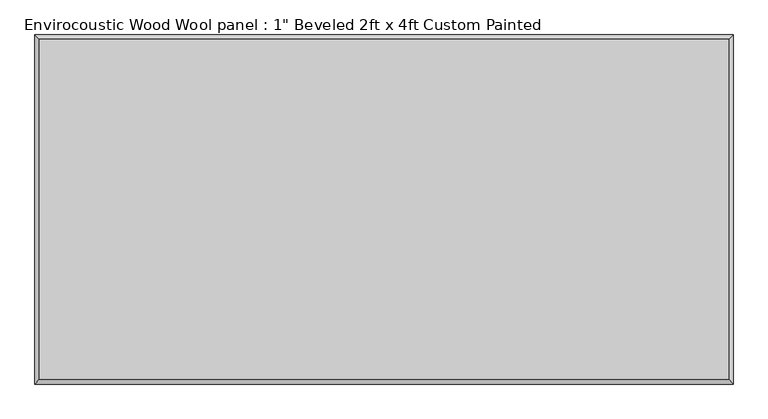
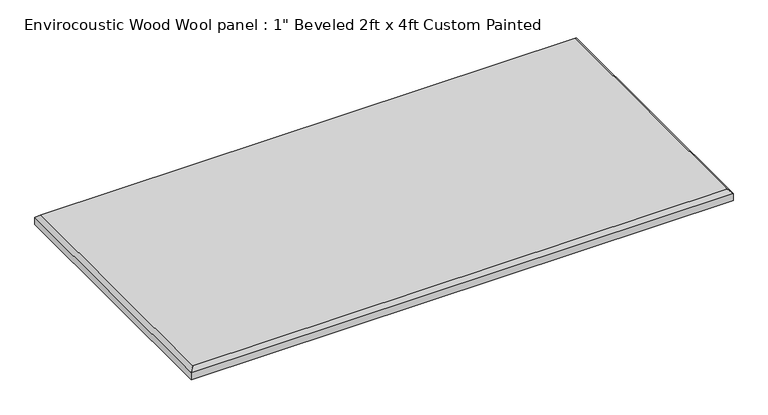
"""IFC4 building model written with IfcOpenShell, lengths in millimetres: proxy geometry."""

from ifc_helpers import new_model, si_unit, origin, place, context, project, spatial, faceted_brep, source, transform, mapped, element, save


def proxy_51cd3200(model_context):
    return source(origin(), model_context, "Body", "Brep", [
        faceted_brep([(601.599, 296.799, 25.4), (-601.599, 296.799, 25.4), (-601.599, -296.799, 25.4), (601.599, -296.799, 25.4), (-609.6, 304.8, 0.0), (609.6, 304.8, 0.0), (609.6, -304.8, 0.0), (-609.6, -304.8, 0.0), (-609.6, -304.8, 17.399), (-609.6, 304.8, 17.399), (609.6, -304.8, 17.399), (609.6, 304.8, 17.399)], [[[0, 1, 2, 3]], [[4, 5, 6, 7]], [[4, 7, 8, 9]], [[7, 6, 10, 8]], [[6, 5, 11, 10]], [[5, 4, 9, 11]], [[9, 1, 0, 11]], [[1, 9, 8, 2]], [[2, 8, 10, 3]], [[11, 0, 3, 10]]]),
    ])


if __name__ == "__main__":
    model = new_model("IFC4")
    model_context = context("Model", 3, world=origin())
    ifc_project = project(units=[si_unit("LENGTHUNIT", "METRE", prefix="MILLI")], contexts=[model_context])
    site = spatial("IfcSite", under=ifc_project)
    building = spatial("IfcBuilding", under=site)
    placement = place(None, origin())
    proxy_shape = proxy_51cd3200(model_context)
    element("IfcBuildingElementProxy", 1, Name="Envirocoustic Wood Wool panel : 1\" Beveled 2ft x 4ft Custom Painted", ObjectType="Envirocoustic Wood Wool panel : 1\" Beveled 2ft x 4ft Custom Painted", at=placement, inside=building, context=model_context, shape_type="MappedRepresentation", body=[
        mapped(proxy_shape, transform((0.0, 0.0, 0.0), x_axis=(1.0, 0.0, 0.0), y_axis=(0.0, 1.0, 0.0), z_axis=(0.0, 0.0, 1.0))),
    ])
    save(model, "model.ifc")
